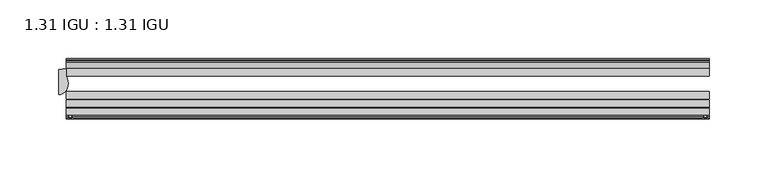
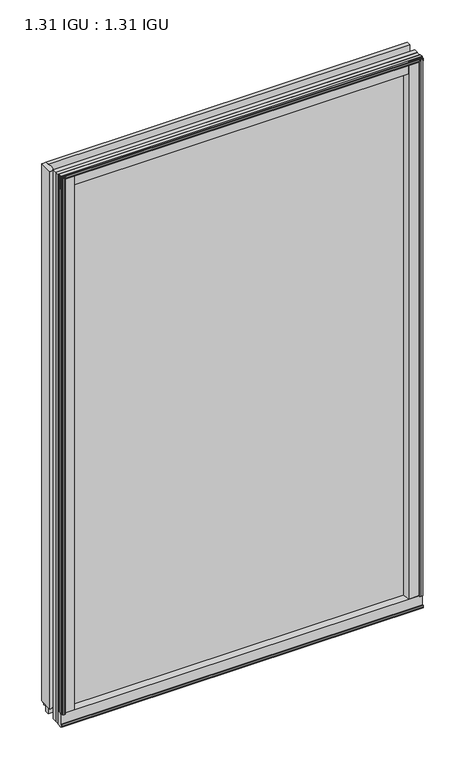
"""IFC4 building model written with IfcOpenShell, lengths in millimetres: plate geometry, 1.31 IGU : 1.31 IGU."""

from ifc_helpers import new_model, si_unit, point, frame, frame_2d, origin, origin_with_axes, place, context, project, spatial, polyline, circle_curve, ellipse_curve, trimmed, segment, composite_curve, outline, extrude, source, transform, mapped, element, save
from ifc_brep_helpers import plane_surface, cylinder_surface, revolved_surface, extruded_surface, advanced_brep


def plate_1_31_igu_1_31_igu_0d19f980(model_context):
    return source(origin(), model_context, "Body", "SolidModel", [
        extrude(outline(composite_curve([segment(polyline([(265.1245906, -57.6333938), (248.9398437, -57.6333938)]), True, "CONTINUOUS"), segment(trimmed(circle_curve(frame_2d((241.6451146, -57.6547678)), 7.2947605), [point((248.9398437, -57.6333938))], [point((245.1974551, -51.2833938))], True, "CARTESIAN"), True, "CONTINUOUS"), segment(polyline([(245.1974551, -51.2833938), (268.067876, -51.2833938)]), True, "CONTINUOUS"), segment(trimmed(circle_curve(frame_2d((268.067876, -52.0707938)), 0.7874), [point((268.067876, -51.2833938))], [point((268.8494069, -51.9748338))], False, "CARTESIAN"), True, "CONTINUOUS"), segment(polyline([(268.8494069, -51.9748338), (269.5441906, -57.6333938), (267.6137906, -57.6333938), (267.1565906, -59.624458), (268.1579525, -59.3561439), (268.4011906, -60.263921), (266.3691906, -60.8083938), (264.3371906, -60.263921), (264.5804288, -59.3561439), (265.5817906, -59.624458), (265.1245906, -57.6333938)]), True, "CONTINUOUS")], self_intersect=False)), origin_with_axes(), (0.0, 0.0, 1.0), 857.25),
        extrude(outline(composite_curve([segment(polyline([(-255.5875, -57.6333937), (-271.7722469, -57.6333937), (-272.2294469, -59.624458), (-271.228085, -59.3561439), (-270.9848469, -60.263921), (-273.0168469, -60.8083937), (-275.0488469, -60.263921), (-274.8056088, -59.3561439), (-273.8042469, -59.624458), (-274.2614469, -57.6333937), (-276.1918469, -57.6333937), (-275.4970631, -51.9748338)]), True, "CONTINUOUS"), segment(trimmed(circle_curve(frame_2d((-274.7155323, -52.0707937)), 0.7874), [point((-275.4970631, -51.9748338))], [point((-274.7155323, -51.2833937))], False, "CARTESIAN"), True, "CONTINUOUS"), segment(polyline([(-274.7155323, -51.2833937), (-251.8451114, -51.2833937)]), True, "CONTINUOUS"), segment(trimmed(circle_curve(frame_2d((-248.2927708, -57.6547678)), 7.2947605), [point((-251.8451114, -51.2833937))], [point((-255.5875, -57.6333937))], True, "CARTESIAN"), True, "CONTINUOUS")], self_intersect=False)), origin_with_axes(), (0.0, 0.0, 1.0), 857.25),
        extrude(outline(polyline([(-9.7543937, -6.8579998), (-10.4009552, -9.2709998), (-11.2596632, -9.0409097), (-10.8839895, -7.6388763), (-13.1833937, -8.3819998), (-13.1833937, -11.7850089), (-17.9585937, -10.1533914), (-17.9585937, 0.6595133), (-13.1833937, -0.5079998), (-13.1833937, -5.4609998), (-10.8839895, -6.0771233), (-11.2596632, -4.6750899), (-10.4009552, -4.4449998), (-9.7543937, -6.8579998)])), frame((-276.225, 0.0, 0.0), z_axis=(1.0, 0.0, 0.0), x_axis=(0.0, 1.0, 0.0)), (0.0, 0.0, 1.0), 545.8023437),
        extrude(outline(composite_curve([segment(polyline([(-51.9748338, -19.930016), (-57.6333937, -20.6247998), (-57.6333937, -18.6943998), (-59.624458, -18.2371998), (-59.3561439, -19.2385617), (-60.263921, -19.4817998), (-60.8083937, -17.4497998), (-60.263921, -15.4177998), (-59.3561439, -15.6610379), (-59.624458, -16.6623998), (-57.6333937, -16.2051998), (-57.6333937, 0.0127002)]), True, "CONTINUOUS"), segment(trimmed(circle_curve(frame_2d((-58.1588233, 7.9620141)), 7.9666598), [point((-57.6333937, 0.0127002))], [point((-51.2833937, 3.9375717))], True, "CARTESIAN"), True, "CONTINUOUS"), segment(polyline([(-51.2833937, 3.9375717), (-51.2833937, -19.1484852)]), True, "CONTINUOUS"), segment(trimmed(circle_curve(frame_2d((-52.0707937, -19.1484852)), 0.7874), [point((-51.2833937, -19.1484852))], [point((-51.9748338, -19.930016))], False, "CARTESIAN"), True, "CONTINUOUS")], self_intersect=False)), frame((-276.225, 0.0, 0.0), z_axis=(1.0, 0.0, 0.0), x_axis=(0.0, 1.0, 0.0)), (0.0, 0.0, 1.0), 545.8023437),
        extrude(outline(polyline([(-17.9585937, 848.3533914), (-13.1833937, 849.9850089), (-13.1833937, 846.5819998), (-10.8839895, 845.8388763), (-11.2596632, 847.2409097), (-10.4009552, 847.4709998), (-9.7543937, 845.0579998), (-10.4009552, 842.6449998), (-11.2596632, 842.8750899), (-10.8839895, 844.2771233), (-13.1833937, 843.6609998), (-13.1833937, 838.7079998), (-17.9585937, 837.5404867), (-17.9585937, 848.3533914)])), frame((-276.225, 0.0, 0.0), z_axis=(1.0, 0.0, 0.0), x_axis=(0.0, 1.0, 0.0)), (0.0, 0.0, 1.0), 545.8023437),
        extrude(outline(composite_curve([segment(trimmed(circle_curve(frame_2d((-52.0707937, 857.3484852)), 0.7874), [point((-51.9748338, 858.130016))], [point((-51.2833937, 857.3484852))], False, "CARTESIAN"), True, "CONTINUOUS"), segment(polyline([(-51.2833937, 857.3484852), (-51.2833937, 834.2624283)]), True, "CONTINUOUS"), segment(trimmed(circle_curve(frame_2d((-58.1588233, 830.2379859)), 7.9666598), [point((-51.2833937, 834.2624283))], [point((-57.6333937, 838.1872998))], True, "CARTESIAN"), True, "CONTINUOUS"), segment(polyline([(-57.6333937, 838.1872998), (-57.6333937, 854.4051998), (-59.624458, 854.8623998), (-59.3561439, 853.8610379), (-60.263921, 853.6177998), (-60.8083937, 855.6497998), (-60.263921, 857.6817998), (-59.3561439, 857.4385617), (-59.624458, 856.4371998), (-57.6333937, 856.8943998), (-57.6333937, 858.8247998), (-51.9748338, 858.130016)]), True, "CONTINUOUS")], self_intersect=False)), frame((-276.225, 0.0, 0.0), z_axis=(1.0, 0.0, 0.0), x_axis=(0.0, 1.0, 0.0)), (0.0, 0.0, 1.0), 545.8023437),
        advanced_brep(
        [(-276.2122998, -24.3085938, 857.25), (-276.2122998, -17.9585937, 857.25), (-282.5622998, -18.9011397, 857.25), (-282.5622998, -40.2563586, 857.25), (-274.7534173, -31.0522937, 857.25), (-276.2122998, -24.3085938, 0.0), (-274.7534173, -31.0522937, 0.0), (-282.5622998, -40.2563586, 0.0), (-282.5622998, -18.9011397, 0.0), (-276.2122998, -17.9585937, 0.0)],
        [
            (0, 1),
            (1, 2, circle_curve(frame((-282.5622998, 2.9603377, 857.25), z_axis=(0.0, 0.0, -1.0), x_axis=(0.0, 1.0, 0.0)), 21.8614773)),
            (2, 3),
            (3, 4, ellipse_curve(frame((-282.5622998, -31.0522937, 857.25), z_axis=(0.0, 0.0, 1.0), x_axis=(0.0, -1.0, 0.0)), 9.2040648, 7.8088825)),
            (4, 0, circle_curve(frame((-291.0692711, -31.0522937, 857.25), z_axis=(0.0, 0.0, 1.0), x_axis=(0.0, 1.0, 0.0)), 16.3158538)),
            (5, 6, circle_curve(frame((-291.0692711, -31.0522937, 0.0), z_axis=(0.0, 0.0, -1.0), x_axis=(0.0, 1.0, 0.0)), 16.3158538)),
            (6, 7, ellipse_curve(frame((-282.5622998, -31.0522937, 0.0), z_axis=(0.0, 0.0, -1.0), x_axis=(0.0, -1.0, 0.0)), 9.2040648, 7.8088825)),
            (7, 8),
            (8, 9, circle_curve(frame((-282.5622998, 2.9603377, 0.0), z_axis=(0.0, 0.0, 1.0), x_axis=(0.0, 1.0, 0.0)), 21.8614773)),
            (9, 5),
            (0, 5),
            (9, 1),
            (8, 2),
            (7, 3),
            (6, 4),
        ],
        [
            plane_surface(frame((-250.825, -11.6085937, 857.25), z_axis=(0.0, 0.0, 1.0), x_axis=(0.0, 1.0, 0.0))),
            plane_surface(frame((-250.825, -11.6085937, 0.0), z_axis=(0.0, 0.0, -1.0), x_axis=(0.0, 1.0, 0.0))),
            plane_surface(frame((-276.2122998, -24.3085938, 857.25), z_axis=(1.0, 0.0, 0.0), x_axis=(0.0, 0.0, -1.0))),
            revolved_surface(polyline([(-282.5622998, 24.821815, 0.0), (-282.5622998, 24.821815, 857.25)]), (-282.5622998, 2.9603377, 857.25), (0.0, 0.0, -1.0)),
            plane_surface(frame((-282.5622998, -18.9011397, 857.25), z_axis=(-1.0, 0.0, 0.0), x_axis=(0.0, 0.0, -1.0))),
            extruded_surface(trimmed(ellipse_curve(frame((-282.5622998, -31.0522937, 0.0), z_axis=(0.0, 0.0, 1.0), x_axis=(0.0, -1.0, 0.0)), 9.2040648, 7.8088825), [point((-282.5622998, -40.2563586, 0.0))], [point((-274.7534173, -31.0522937, 0.0))], True, "CARTESIAN"), (0.0, 0.0, 857.25), 857.25),
            cylinder_surface(frame((-291.0692711, -31.0522937, 857.25), z_axis=(0.0, 0.0, 1.0), x_axis=(0.0, 1.0, 0.0)), 16.3158538),
        ],
        [
            (0, [[1, 2, 3, 4, 5]]),
            (1, [[6, 7, 8, 9, 10]]),
            (2, [[-1, 11, -10, 12]]),
            (3, [[-2, -12, -9, 13]]),
            (4, [[-3, -13, -8, 14]]),
            (5, [[-4, -14, -7, 15]]),
            (6, [[-5, -15, -6, -11]]),
        ],
    ),
        extrude(outline(polyline([(258.4765765, -10.8839895), (259.2197, -13.1833937), (262.6227091, -13.1833937), (260.9910916, -17.9585937), (250.1781869, -17.9585937), (251.3457, -13.1833937), (256.2987, -13.1833937), (256.9148235, -10.8839895), (255.5127901, -11.2596632), (255.2827, -10.4009552), (257.6957, -9.7543937), (260.1087, -10.4009552), (259.8786099, -11.2596632), (258.4765765, -10.8839895)])), origin_with_axes(), (0.0, 0.0, 1.0), 838.2),
        extrude(outline(polyline([(269.5773437, -17.9585937), (269.5773437, -24.3085937), (-276.225, -24.3085937), (-276.225, -17.9585937), (269.5773437, -17.9585937)])), frame((0.0, 0.0, -19.0372998), z_axis=(0.0, 0.0, 1.0), x_axis=(1.0, 0.0, 0.0)), (0.0, 0.0, 1.0), 876.2872998),
        extrude(outline(polyline([(-276.225, -44.1459937), (-276.225, -37.7959937), (269.5773437, -37.7959937), (269.5773437, -44.1459937), (-276.225, -44.1459937)])), frame((0.0, 0.0, -19.0372998), z_axis=(0.0, 0.0, 1.0), x_axis=(1.0, 0.0, 0.0)), (0.0, 0.0, 1.0), 876.2872998),
        extrude(outline(polyline([(-276.225, -51.2833937), (-276.225, -44.9333937), (269.5773437, -44.9333937), (269.5773437, -51.2833937), (-276.225, -51.2833937)])), frame((0.0, 0.0, -19.0372998), z_axis=(0.0, 0.0, 1.0), x_axis=(1.0, 0.0, 0.0)), (0.0, 0.0, 1.0), 876.2872998),
    ])


if __name__ == "__main__":
    model = new_model("IFC4")
    model_context = context("Model", 3, world=origin())
    ifc_project = project(units=[si_unit("LENGTHUNIT", "METRE", prefix="MILLI")], contexts=[model_context])
    site = spatial("IfcSite", under=ifc_project)
    building = spatial("IfcBuilding", under=site)
    placement = place(None, origin())
    plate_1_31_igu_1_31_igu_shape = plate_1_31_igu_1_31_igu_0d19f980(model_context)
    element("IfcPlate", 1, ObjectType="1.31 IGU : 1.31 IGU", at=placement, inside=building, context=model_context, shape_type="MappedRepresentation", body=[
        mapped(plate_1_31_igu_1_31_igu_shape, transform((0.0, 0.0, 0.0), x_axis=(1.0, 0.0, 0.0), y_axis=(0.0, 1.0, 0.0), z_axis=(0.0, 0.0, 1.0))),
    ])
    save(model, "model.ifc")
